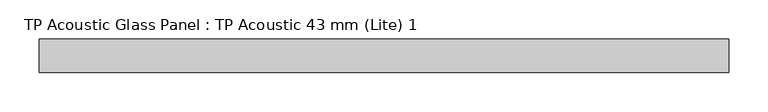
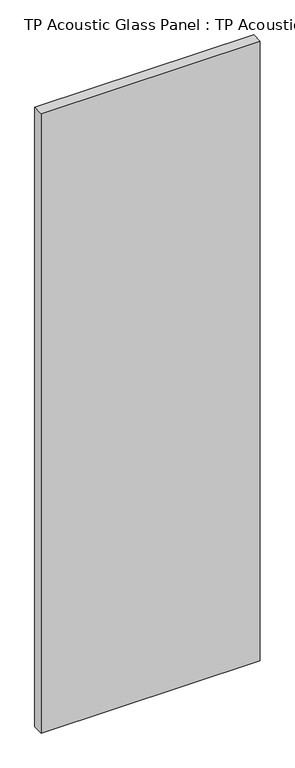
"""IFC4 building model written with IfcOpenShell, lengths in millimetres: plate geometry, TP Acoustic Glass Panel : TP Acoustic 43 mm (Lite) 1."""

from ifc_helpers import new_model, si_unit, origin, origin_with_axes, place, context, project, spatial, polyline, outline, extrude, source, transform, mapped, element, save


def tp_acoustic_glass_panel_tp_acoustic_43_mm_lite_1_676ec4be(model_context):
    return source(origin(), model_context, "Body", "SweptSolid", [
        extrude(outline(polyline([(439.75, 21.5), (439.75, -21.5), (-439.75, -21.5), (-439.75, 21.5), (439.75, 21.5)])), origin_with_axes(), (0.0, 0.0, 1.0), 2628.0),
    ])


if __name__ == "__main__":
    model = new_model("IFC4")
    model_context = context("Model", 3, world=origin())
    ifc_project = project(units=[si_unit("LENGTHUNIT", "METRE", prefix="MILLI")], contexts=[model_context])
    site = spatial("IfcSite", under=ifc_project)
    building = spatial("IfcBuilding", under=site)
    placement = place(None, origin())
    tp_acoustic_glass_panel_tp_acoustic_43_mm_lite_1_shape = tp_acoustic_glass_panel_tp_acoustic_43_mm_lite_1_676ec4be(model_context)
    element("IfcPlate", 1, ObjectType="TP Acoustic Glass Panel : TP Acoustic 43 mm (Lite) 1", at=placement, inside=building, context=model_context, shape_type="MappedRepresentation", body=[
        mapped(tp_acoustic_glass_panel_tp_acoustic_43_mm_lite_1_shape, transform((0.0, 0.0, 0.0), x_axis=(1.0, 0.0, 0.0), y_axis=(0.0, 1.0, 0.0), z_axis=(0.0, 0.0, 1.0))),
    ])
    save(model, "model.ifc")
